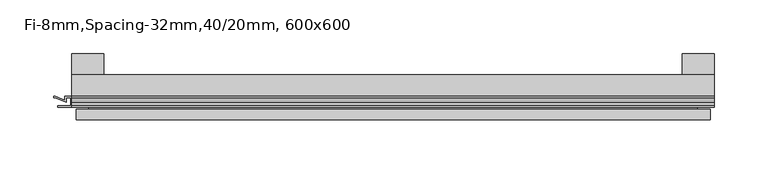
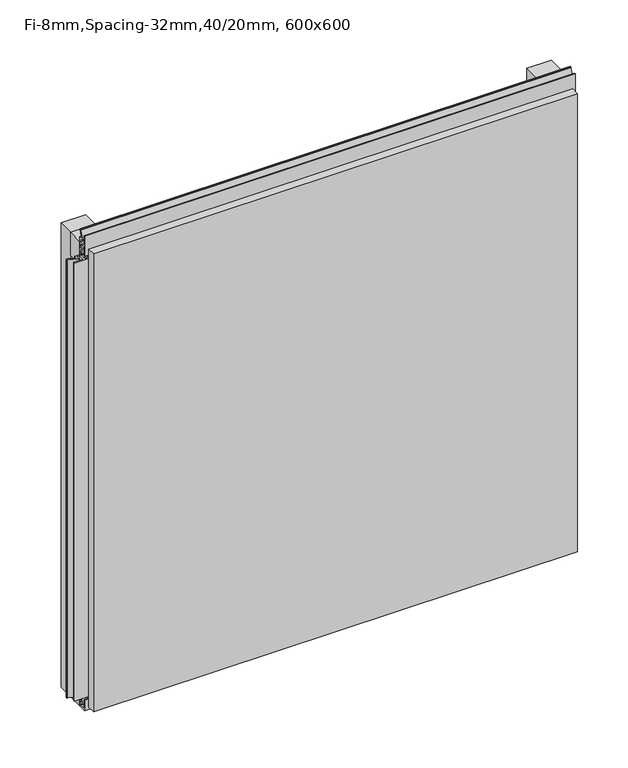
"""IFC4 building model written with IfcOpenShell, lengths in millimetres: plate geometry, Fi-8mm,Spacing-32mm,40/20mm, 600x600."""

from ifc_helpers import new_model, si_unit, frame, origin, origin_with_axes, place, context, project, spatial, polyline, outline, extrude, faceted_brep, source, transform, mapped, element, save


def fi_8mm_spacing_32mm_40_20mm_600x600_a628ba57(model_context):
    return source(origin(), model_context, "Body", "SolidModel", [
        extrude(outline(polyline([(-300.0, -40.0), (-300.0, -20.0), (300.0, -20.0), (300.0, -40.0), (-300.0, -40.0)])), frame((0.0, 0.0, 570.0), z_axis=(0.0, 0.0, 1.0), x_axis=(1.0, 0.0, 0.0)), (0.0, 0.0, 1.0), 30.0),
        extrude(outline(polyline([(-300.0, -40.0), (-300.0, -20.0), (300.0, -20.0), (300.0, -40.0), (-300.0, -40.0)])), origin_with_axes(), (0.0, 0.0, 1.0), 30.0),
        extrude(outline(polyline([(270.0, 0.0), (300.0, 0.0), (300.0, -20.0), (270.0, -20.0), (270.0, 0.0)])), origin_with_axes(), (0.0, 0.0, 1.0), 600.0),
        extrude(outline(polyline([(-270.0, 0.0), (-270.0, -20.0), (-300.0, -20.0), (-300.0, 0.0), (-270.0, 0.0)])), origin_with_axes(), (0.0, 0.0, 1.0), 600.0),
        extrude(outline(polyline([(-40.0, 6.299084), (-40.0, 0.0), (-50.1, 0.0), (-50.1, 13.4156807), (-48.7, 13.4156807), (-48.7, 1.4156807), (-41.4, 1.4156807), (-41.4, 4.899084), (-45.5140545, 4.899084), (-41.4553267, 15.5703394), (-41.4553267, 22.991548), (-40.0553267, 22.991548), (-40.0553267, 15.3558599), (-43.5, 6.299084), (-40.0, 6.299084)])), frame((-300.0, 0.0, 0.0), z_axis=(1.0, 0.0, 0.0), x_axis=(0.0, 1.0, 0.0)), (0.0, 0.0, 1.0), 600.0),
        extrude(outline(polyline([(293.700916, -40.0), (300.0, -40.0), (300.0, -50.1), (286.5843193, -50.1), (286.5843193, -48.7), (298.5843193, -48.7), (298.5843193, -41.4), (295.100916, -41.4), (295.100916, -45.5140545), (284.4296606, -41.4553267), (277.008452, -41.4553267), (277.008452, -40.0553267), (284.6441401, -40.0553267), (293.700916, -43.5), (293.700916, -40.0)])), frame((0.0, 0.0, 16.9558599), z_axis=(0.0, 0.0, 1.0), x_axis=(1.0, 0.0, 0.0)), (0.0, 0.0, 1.0), 566.0882802),
        extrude(outline(polyline([(-300.899084, -48.7), (-300.899084, -41.4), (-304.899084, -41.4), (-304.899084, -45.5140545), (-315.5703394, -41.4553267), (-316.9558599, -41.4553267), (-316.9558599, -40.0553267), (-315.3558599, -40.0553267), (-306.299084, -43.5), (-306.299084, -40.0), (-293.700916, -40.0), (-293.700916, -43.5), (-284.6441401, -40.0553267), (-283.0441401, -40.0553267), (-283.0441401, -41.4553267), (-284.4296606, -41.4553267), (-295.100916, -45.5140545), (-295.100916, -41.4), (-299.100916, -41.4), (-299.100916, -48.7), (-287.100916, -48.7), (-287.100916, -50.1), (-312.899084, -50.1), (-312.899084, -48.7), (-300.899084, -48.7)])), frame((0.0, 0.0, 16.9558599), z_axis=(0.0, 0.0, 1.0), x_axis=(1.0, 0.0, 0.0)), (0.0, 0.0, 1.0), 566.0882802),
        extrude(outline(polyline([(-48.7, 600.899084), (-41.4, 600.899084), (-41.4, 604.899084), (-45.5140545, 604.899084), (-41.4553267, 615.5703394), (-41.4553267, 616.9558599), (-40.0553267, 616.9558599), (-40.0553267, 615.3558599), (-43.5, 606.299084), (-40.0, 606.299084), (-40.0, 593.700916), (-43.5, 593.700916), (-40.0553267, 584.6441401), (-40.0553267, 583.0441401), (-41.4553267, 583.0441401), (-41.4553267, 584.4296606), (-45.5140545, 595.100916), (-41.4, 595.100916), (-41.4, 599.100916), (-48.7, 599.100916), (-48.7, 587.100916), (-50.1, 587.100916), (-50.1, 612.899084), (-48.7, 612.899084), (-48.7, 600.899084)])), frame((-300.0, 0.0, 0.0), z_axis=(1.0, 0.0, 0.0), x_axis=(0.0, 1.0, 0.0)), (0.0, 0.0, 1.0), 600.0),
        faceted_brep([(296.0, -45.9, 596.0), (-296.0, -45.9, 596.0), (-296.0, -48.7, 596.0), (296.0, -48.7, 596.0), (-296.0, -61.9, 596.0), (296.0, -61.9, 596.0), (296.0, -51.9, 596.0), (-296.0, -51.9, 596.0), (-296.0, -45.9, 4.0), (296.0, -45.9, 4.0), (296.0, -48.7, 4.0), (-296.0, -48.7, 4.0), (296.0, -61.9, 4.0), (-296.0, -61.9, 4.0), (-296.0, -51.9, 4.0), (296.0, -51.9, 4.0), (284.0, -51.9, 584.0), (284.0, -51.9, 16.0), (284.0, -48.7, 16.0), (284.0, -48.7, 584.0), (-284.0, -51.9, 16.0), (-284.0, -48.7, 16.0), (-284.0, -51.9, 584.0), (-284.0, -48.7, 584.0)], [[[0, 1, 2, 3]], [[4, 5, 6, 7]], [[8, 9, 10, 11]], [[12, 13, 14, 15]], [[1, 0, 9, 8]], [[1, 8, 11, 2]], [[13, 4, 7, 14]], [[5, 4, 13, 12]], [[9, 0, 3, 10]], [[5, 12, 15, 6]], [[16, 17, 18, 19]], [[18, 17, 20, 21]], [[21, 20, 22, 23]], [[16, 19, 23, 22]], [[7, 6, 15, 14], [17, 16, 22, 20]], [[3, 2, 11, 10], [19, 18, 21, 23]]]),
    ])


if __name__ == "__main__":
    model = new_model("IFC4")
    model_context = context("Model", 3, world=origin())
    ifc_project = project(units=[si_unit("LENGTHUNIT", "METRE", prefix="MILLI")], contexts=[model_context])
    site = spatial("IfcSite", under=ifc_project)
    building = spatial("IfcBuilding", under=site)
    placement = place(None, origin())
    fi_8mm_spacing_32mm_40_20mm_600x600_shape = fi_8mm_spacing_32mm_40_20mm_600x600_a628ba57(model_context)
    element("IfcPlate", 1, ObjectType="Fi-8mm,Spacing-32mm,40/20mm, 600x600", at=placement, inside=building, context=model_context, shape_type="MappedRepresentation", body=[
        mapped(fi_8mm_spacing_32mm_40_20mm_600x600_shape, transform((0.0, 0.0, 0.0), x_axis=(1.0, 0.0, 0.0), y_axis=(0.0, 1.0, 0.0), z_axis=(0.0, 0.0, 1.0))),
    ])
    save(model, "model.ifc")
